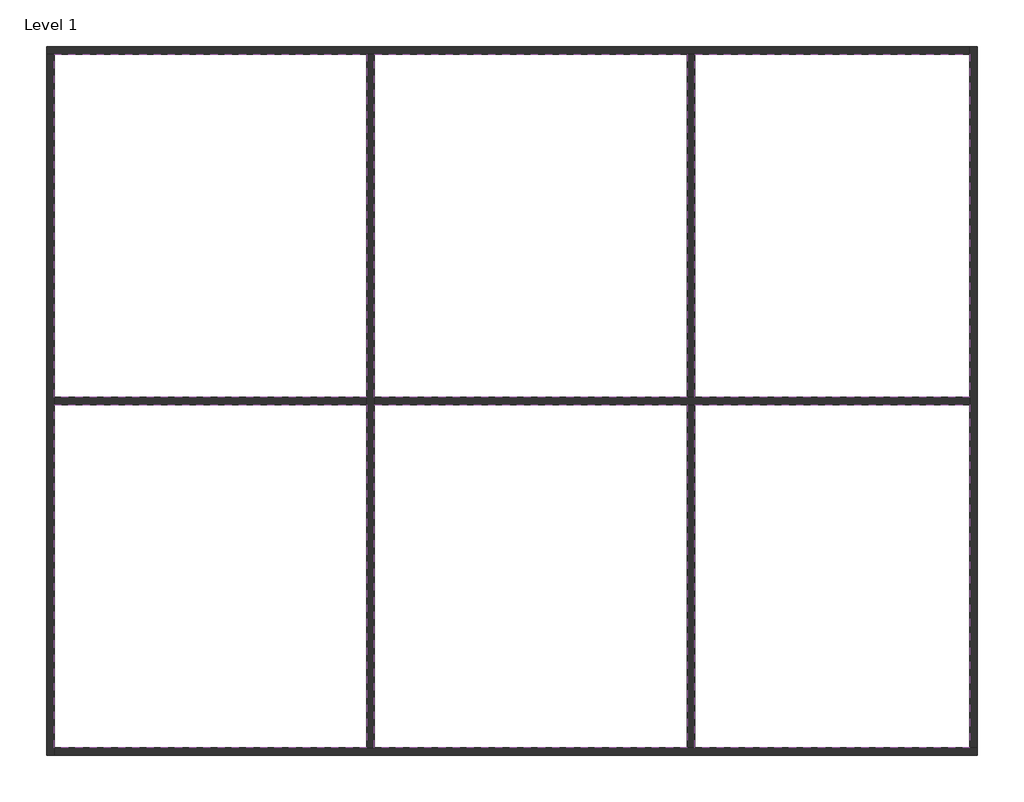
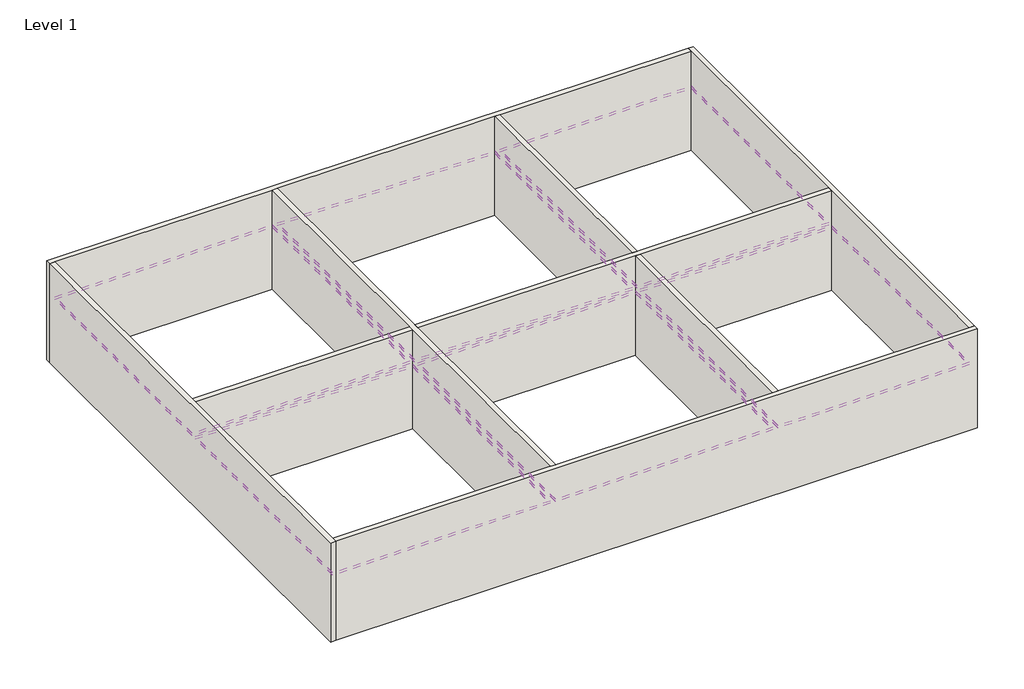
# One storey: 12 coverings, 7 walls.
"""IFC4 building model written with IfcOpenShell, lengths in millimetres."""

from ifc_helpers import new_model, si_unit, frame, origin, origin_with_axes, place, context, project, spatial, polyline, outline, extrude, faceted_brep, element, save

model = new_model("IFC4")

# Units and contexts
model_context = context("Model", 3, world=origin())
ifc_project = project(units=[si_unit("LENGTHUNIT", "METRE", prefix="MILLI")], contexts=[model_context])

# Site, building, storey
site = spatial("IfcSite", under=ifc_project)
building = spatial("IfcBuilding", under=site)
storey = spatial("IfcBuildingStorey", under=building, Name="Level 1", Elevation=0.0)

# Coverings
placement = place(None, origin())
element("IfcCovering", 1, ObjectType="Plain", at=placement, inside=storey, context=model_context, shape_type="SweptSolid", body=[
    extrude(outline(polyline([(-10164.2294349, 8714.9503286), (-1864.2294349, 8714.9503286), (-1864.2294349, -385.0496714), (-10164.2294349, -385.0496714), (-10164.2294349, 8714.9503286)])), frame((0.0, 0.0, 2600.0), z_axis=(0.0, 0.0, 1.0), x_axis=(1.0, 0.0, 0.0)), (0.0, 0.0, 1.0), 57.0),
])
element("IfcCovering", 2, ObjectType="Plain", at=placement, inside=storey, context=model_context, shape_type="SweptSolid", body=[
    extrude(outline(polyline([(-1664.2294349, -385.0496714), (-1664.2294349, 8714.9503286), (6635.7705651, 8714.9503286), (6635.7705651, -385.0496714), (-1664.2294349, -385.0496714)])), frame((0.0, 0.0, 2600.0), z_axis=(0.0, 0.0, 1.0), x_axis=(1.0, 0.0, 0.0)), (0.0, 0.0, 1.0), 57.0),
])
element("IfcCovering", 3, ObjectType="Plain", at=placement, inside=storey, context=model_context, shape_type="SweptSolid", body=[
    extrude(outline(polyline([(6835.7705651, -385.0496714), (6835.7705651, 8714.9503286), (14135.7705651, 8714.9503286), (14135.7705651, -385.0496714), (6835.7705651, -385.0496714)])), frame((0.0, 0.0, 2600.0), z_axis=(0.0, 0.0, 1.0), x_axis=(1.0, 0.0, 0.0)), (0.0, 0.0, 1.0), 57.0),
])
element("IfcCovering", 4, ObjectType="Plain", at=placement, inside=storey, context=model_context, shape_type="SweptSolid", body=[
    extrude(outline(polyline([(14135.7705651, -9685.0496714), (6835.7705651, -9685.0496714), (6835.7705651, -585.0496714), (14135.7705651, -585.0496714), (14135.7705651, -9685.0496714)])), frame((0.0, 0.0, 2600.0), z_axis=(0.0, 0.0, 1.0), x_axis=(1.0, 0.0, 0.0)), (0.0, 0.0, 1.0), 57.0),
])
element("IfcCovering", 5, ObjectType="Plain", at=placement, inside=storey, context=model_context, shape_type="SweptSolid", body=[
    extrude(outline(polyline([(6635.7705651, -9685.0496714), (-1664.2294349, -9685.0496714), (-1664.2294349, -585.0496714), (6635.7705651, -585.0496714), (6635.7705651, -9685.0496714)])), frame((0.0, 0.0, 2600.0), z_axis=(0.0, 0.0, 1.0), x_axis=(1.0, 0.0, 0.0)), (0.0, 0.0, 1.0), 57.0),
])
element("IfcCovering", 6, ObjectType="Plain", at=placement, inside=storey, context=model_context, shape_type="SweptSolid", body=[
    extrude(outline(polyline([(-10164.2294349, -9685.0496714), (-10164.2294349, -585.0496714), (-1864.2294349, -585.0496714), (-1864.2294349, -9685.0496714), (-10164.2294349, -9685.0496714)])), frame((0.0, 0.0, 2600.0), z_axis=(0.0, 0.0, 1.0), x_axis=(1.0, 0.0, 0.0)), (0.0, 0.0, 1.0), 57.0),
])
element("IfcCovering", 7, ObjectType="Plain", at=placement, inside=storey, context=model_context, shape_type="SweptSolid", body=[
    extrude(outline(polyline([(-1864.2294349, 8714.9503286), (-1864.2294349, -385.0496714), (-10164.2294349, -385.0496714), (-10164.2294349, 8714.9503286), (-1864.2294349, 8714.9503286)]), holes=[polyline([(-2856.1464511, 7926.1187265), (-9456.1464511, 7926.1187265), (-9456.1464511, 326.1187265), (-2856.1464511, 326.1187265), (-2856.1464511, 7926.1187265)])]), frame((0.0, 0.0, 2500.0), z_axis=(0.0, 0.0, 1.0), x_axis=(1.0, 0.0, 0.0)), (0.0, 0.0, 1.0), 57.0),
])
element("IfcCovering", 8, ObjectType="Plain", at=placement, inside=storey, context=model_context, shape_type="SweptSolid", body=[
    extrude(outline(polyline([(-1864.2294349, -585.0496714), (-1864.2294349, -9685.0496714), (-10164.2294349, -9685.0496714), (-10164.2294349, -585.0496714), (-1864.2294349, -585.0496714)]), holes=[polyline([(-2856.1464511, -1373.8812735), (-9456.1464511, -1373.8812735), (-9456.1464511, -8973.8812735), (-2856.1464511, -8973.8812735), (-2856.1464511, -1373.8812735)])]), frame((0.0, 0.0, 2500.0), z_axis=(0.0, 0.0, 1.0), x_axis=(1.0, 0.0, 0.0)), (0.0, 0.0, 1.0), 57.0),
])
element("IfcCovering", 9, ObjectType="Plain", at=placement, inside=storey, context=model_context, shape_type="SweptSolid", body=[
    extrude(outline(polyline([(6635.7705651, -585.0496714), (6635.7705651, -9685.0496714), (-1664.2294349, -9685.0496714), (-1664.2294349, -585.0496714), (6635.7705651, -585.0496714)]), holes=[polyline([(5643.8535489, -1373.8812735), (-956.1464511, -1373.8812735), (-956.1464511, -8973.8812735), (5643.8535489, -8973.8812735), (5643.8535489, -1373.8812735)])]), frame((0.0, 0.0, 2500.0), z_axis=(0.0, 0.0, 1.0), x_axis=(1.0, 0.0, 0.0)), (0.0, 0.0, 1.0), 57.0),
])
element("IfcCovering", 10, ObjectType="Plain", at=placement, inside=storey, context=model_context, shape_type="SweptSolid", body=[
    extrude(outline(polyline([(6635.7705651, 8714.9503286), (6635.7705651, -385.0496714), (-1664.2294349, -385.0496714), (-1664.2294349, 8714.9503286), (6635.7705651, 8714.9503286)]), holes=[polyline([(5643.8535489, 7926.1187265), (-956.1464511, 7926.1187265), (-956.1464511, 326.1187265), (5643.8535489, 326.1187265), (5643.8535489, 7926.1187265)])]), frame((0.0, 0.0, 2500.0), z_axis=(0.0, 0.0, 1.0), x_axis=(1.0, 0.0, 0.0)), (0.0, 0.0, 1.0), 57.0),
])
element("IfcCovering", 11, ObjectType="Plain", at=placement, inside=storey, context=model_context, shape_type="SweptSolid", body=[
    extrude(outline(polyline([(14135.7705651, -585.0496714), (14135.7705651, -9685.0496714), (6835.7705651, -9685.0496714), (6835.7705651, -585.0496714), (14135.7705651, -585.0496714)]), holes=[polyline([(12535.7705651, -1373.8812735), (7543.8535489, -1373.8812735), (7543.8535489, -8973.8812735), (12535.7705651, -8973.8812735), (12535.7705651, -1373.8812735)])]), frame((0.0, 0.0, 2500.0), z_axis=(0.0, 0.0, 1.0), x_axis=(1.0, 0.0, 0.0)), (0.0, 0.0, 1.0), 57.0),
])
element("IfcCovering", 12, ObjectType="Plain", at=placement, inside=storey, context=model_context, shape_type="SweptSolid", body=[
    extrude(outline(polyline([(14135.7705651, 8714.9503286), (14135.7705651, -385.0496714), (6835.7705651, -385.0496714), (6835.7705651, 8714.9503286), (14135.7705651, 8714.9503286)]), holes=[polyline([(12735.7705651, 7926.1187265), (7543.8535489, 7926.1187265), (7543.8535489, 326.1187265), (12735.7705651, 326.1187265), (12735.7705651, 7926.1187265)])]), frame((0.0, 0.0, 2500.0), z_axis=(0.0, 0.0, 1.0), x_axis=(1.0, 0.0, 0.0)), (0.0, 0.0, 1.0), 57.0),
])

# Walls
element("IfcWall", 13, ObjectType="Generic - 200mm", at=placement, inside=storey, context=model_context, shape_type="Brep", body=[
    faceted_brep([(-10364.2294349, 8714.9503286, 0.0), (-10164.2294349, 8714.9503286, 0.0), (-1864.2294349, 8714.9503286, 0.0), (-1664.2294349, 8714.9503286, 0.0), (6635.7705651, 8714.9503286, 0.0), (6835.7705651, 8714.9503286, 0.0), (14135.7705651, 8714.9503286, 0.0), (14135.7705651, 8714.9503286, 4000.0), (6835.7705651, 8714.9503286, 4000.0), (6635.7705651, 8714.9503286, 4000.0), (-1664.2294349, 8714.9503286, 4000.0), (-1864.2294349, 8714.9503286, 4000.0), (-10164.2294349, 8714.9503286, 4000.0), (-10364.2294349, 8714.9503286, 4000.0), (-10364.2294349, 8914.9503286, 0.0), (-10364.2294349, 8914.9503286, 4000.0), (14135.7705651, 8914.9503286, 4000.0), (14135.7705651, 8914.9503286, 0.0)], [[[0, 1, 2, 3, 4, 5, 6, 7, 8, 9, 10, 11, 12, 13]], [[14, 15, 16, 17]], [[6, 5, 4, 3, 2, 1, 0, 14, 17]], [[13, 12, 11, 10, 9, 8, 7, 16, 15]], [[0, 13, 15, 14]], [[7, 6, 17, 16]]]),
])
element("IfcWall", 14, ObjectType="Generic - 200mm", at=placement, inside=storey, context=model_context, shape_type="Brep", body=[
    faceted_brep([(-10164.2294349, -9885.0496714, 0.0), (-10164.2294349, -9685.0496714, 0.0), (-10164.2294349, -585.0496714, 0.0), (-10164.2294349, -385.0496714, 0.0), (-10164.2294349, 8714.9503286, 0.0), (-10164.2294349, 8714.9503286, 4000.0), (-10164.2294349, -385.0496714, 4000.0), (-10164.2294349, -585.0496714, 4000.0), (-10164.2294349, -9685.0496714, 4000.0), (-10164.2294349, -9885.0496714, 4000.0), (-10364.2294349, -9885.0496714, 0.0), (-10364.2294349, -9885.0496714, 4000.0), (-10364.2294349, 8714.9503286, 4000.0), (-10364.2294349, 8714.9503286, 0.0)], [[[0, 1, 2, 3, 4, 5, 6, 7, 8, 9]], [[10, 11, 12, 13]], [[4, 3, 2, 1, 0, 10, 13]], [[9, 8, 7, 6, 5, 12, 11]], [[0, 9, 11, 10]], [[5, 4, 13, 12]]]),
])
element("IfcWall", 15, ObjectType="Generic - 200mm", at=placement, inside=storey, context=model_context, shape_type="Brep", body=[
    faceted_brep([(14335.7705651, -9685.0496714, 0.0), (14135.7705651, -9685.0496714, 0.0), (6835.7705651, -9685.0496714, 0.0), (6635.7705651, -9685.0496714, 0.0), (-1664.2294349, -9685.0496714, 0.0), (-1864.2294349, -9685.0496714, 0.0), (-10164.2294349, -9685.0496714, 0.0), (-10164.2294349, -9685.0496714, 4000.0), (-1864.2294349, -9685.0496714, 4000.0), (-1664.2294349, -9685.0496714, 4000.0), (6635.7705651, -9685.0496714, 4000.0), (6835.7705651, -9685.0496714, 4000.0), (14135.7705651, -9685.0496714, 4000.0), (14335.7705651, -9685.0496714, 4000.0), (14335.7705651, -9885.0496714, 0.0), (14335.7705651, -9885.0496714, 4000.0), (-10164.2294349, -9885.0496714, 4000.0), (-10164.2294349, -9885.0496714, 0.0)], [[[0, 1, 2, 3, 4, 5, 6, 7, 8, 9, 10, 11, 12, 13]], [[14, 15, 16, 17]], [[6, 5, 4, 3, 2, 1, 0, 14, 17]], [[13, 12, 11, 10, 9, 8, 7, 16, 15]], [[0, 13, 15, 14]], [[7, 6, 17, 16]]]),
])
element("IfcWall", 16, ObjectType="Generic - 200mm", at=placement, inside=storey, context=model_context, shape_type="Brep", body=[
    faceted_brep([(14135.7705651, 8914.9503286, 0.0), (14135.7705651, 8714.9503286, 0.0), (14135.7705651, -385.0496714, 0.0), (14135.7705651, -585.0496714, 0.0), (14135.7705651, -9685.0496714, 0.0), (14135.7705651, -9685.0496714, 4000.0), (14135.7705651, -585.0496714, 4000.0), (14135.7705651, -385.0496714, 4000.0), (14135.7705651, 8714.9503286, 4000.0), (14135.7705651, 8914.9503286, 4000.0), (14335.7705651, 8914.9503286, 0.0), (14335.7705651, 8914.9503286, 4000.0), (14335.7705651, -9685.0496714, 4000.0), (14335.7705651, -9685.0496714, 0.0)], [[[0, 1, 2, 3, 4, 5, 6, 7, 8, 9]], [[10, 11, 12, 13]], [[4, 3, 2, 1, 0, 10, 13]], [[9, 8, 7, 6, 5, 12, 11]], [[0, 9, 11, 10]], [[5, 4, 13, 12]]]),
])
element("IfcWall", 17, ObjectType="Generic - 200mm", at=placement, inside=storey, context=model_context, shape_type="Brep", body=[
    faceted_brep([(-1864.2294349, 8714.9503286, 0.0), (-1864.2294349, -385.0496714, 0.0), (-1864.2294349, -585.0496714, 0.0), (-1864.2294349, -9685.0496714, 0.0), (-1864.2294349, -9685.0496714, 4000.0), (-1864.2294349, -585.0496714, 4000.0), (-1864.2294349, -385.0496714, 4000.0), (-1864.2294349, 8714.9503286, 4000.0), (-1664.2294349, 8714.9503286, 0.0), (-1664.2294349, 8714.9503286, 4000.0), (-1664.2294349, -385.0496714, 4000.0), (-1664.2294349, -585.0496714, 4000.0), (-1664.2294349, -9685.0496714, 4000.0), (-1664.2294349, -9685.0496714, 0.0), (-1664.2294349, -585.0496714, 0.0), (-1664.2294349, -385.0496714, 0.0)], [[[0, 1, 2, 3, 4, 5, 6, 7]], [[8, 9, 10, 11, 12, 13, 14, 15]], [[3, 2, 1, 0, 8, 15, 14, 13]], [[7, 6, 5, 4, 12, 11, 10, 9]], [[0, 7, 9, 8]], [[4, 3, 13, 12]]]),
])
element("IfcWall", 18, ObjectType="Generic - 200mm", at=placement, inside=storey, context=model_context, shape_type="Brep", body=[
    faceted_brep([(-10164.2294349, -585.0496714, 4000.0), (-10164.2294349, -585.0496714, 0.0), (-1864.2294349, -585.0496714, 0.0), (-1864.2294349, -585.0496714, 4000.0), (-10164.2294349, -385.0496714, 0.0), (-10164.2294349, -385.0496714, 4000.0), (-1864.2294349, -385.0496714, 4000.0), (-1864.2294349, -385.0496714, 0.0)], [[[0, 1, 2, 3]], [[4, 5, 6, 7]], [[1, 4, 7, 2]], [[5, 0, 3, 6]], [[1, 0, 5, 4]], [[3, 2, 7, 6]]]),
    faceted_brep([(14135.7705651, -585.0496714, 0.0), (14135.7705651, -585.0496714, 4000.0), (6835.7705651, -585.0496714, 4000.0), (6635.7705651, -585.0496714, 4000.0), (-1664.2294349, -585.0496714, 4000.0), (-1664.2294349, -585.0496714, 0.0), (6635.7705651, -585.0496714, 0.0), (6835.7705651, -585.0496714, 0.0), (14135.7705651, -385.0496714, 4000.0), (14135.7705651, -385.0496714, 0.0), (6835.7705651, -385.0496714, 0.0), (6635.7705651, -385.0496714, 0.0), (-1664.2294349, -385.0496714, 0.0), (-1664.2294349, -385.0496714, 4000.0), (6635.7705651, -385.0496714, 4000.0), (6835.7705651, -385.0496714, 4000.0)], [[[0, 1, 2, 3, 4, 5, 6, 7]], [[8, 9, 10, 11, 12, 13, 14, 15]], [[9, 0, 7, 6, 5, 12, 11, 10]], [[1, 8, 15, 14, 13, 4, 3, 2]], [[1, 0, 9, 8]], [[5, 4, 13, 12]]]),
])
element("IfcWall", 19, ObjectType="Generic - 200mm", at=placement, inside=storey, context=model_context, shape_type="SweptSolid", body=[
    extrude(outline(polyline([(6635.7705651, 8714.9503286), (6835.7705651, 8714.9503286), (6835.7705651, -385.0496714), (6635.7705651, -385.0496714), (6635.7705651, 8714.9503286)])), origin_with_axes(), (0.0, 0.0, 1.0), 4000.0),
    extrude(outline(polyline([(6835.7705651, -9685.0496714), (6635.7705651, -9685.0496714), (6635.7705651, -585.0496714), (6835.7705651, -585.0496714), (6835.7705651, -9685.0496714)])), origin_with_axes(), (0.0, 0.0, 1.0), 4000.0),
])

save(model, "model.ifc")
